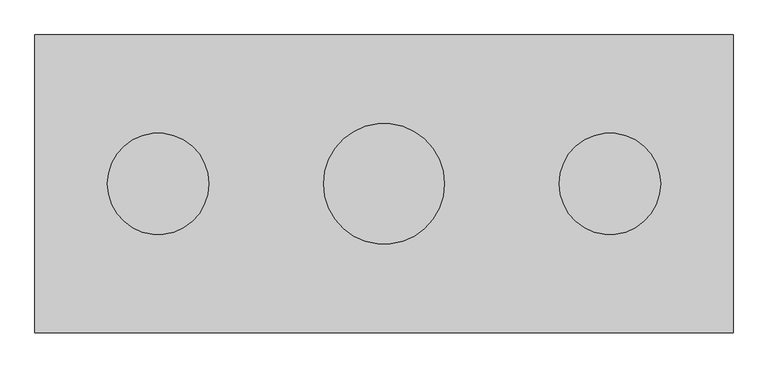
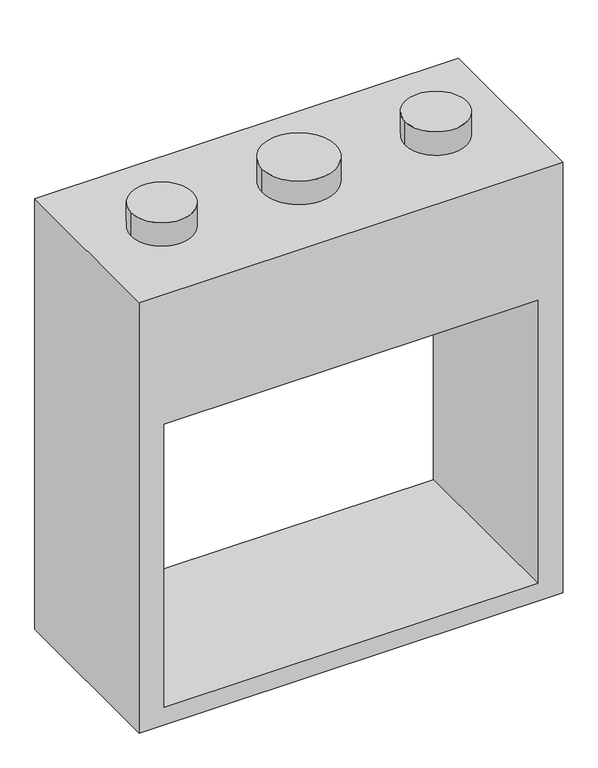
"""IFC4 building model written with IfcOpenShell, lengths in millimetres: proxy geometry."""

from ifc_helpers import new_model, si_unit, point, frame, frame_2d, origin, origin_2d, place, context, project, spatial, polyline, circle_curve, trimmed, segment, composite_curve, outline, extrude, source, transform, mapped, element, save


def generic_models_60ac84e5(model_context):
    return source(origin(), model_context, "Body", "SweptSolid", [
        extrude(outline(polyline([(1854.2, 863.6), (1854.2, -863.6), (0.0, -863.6), (0.0, 863.6), (1854.2, 863.6)]), holes=[polyline([(1295.4, -762.0), (1295.4, 762.0), (76.2, 762.0), (76.2, -762.0), (1295.4, -762.0)])]), frame((0.0, -368.3, 0.0), z_axis=(0.0, 1.0, 0.0), x_axis=(0.0, 0.0, 1.0)), (0.0, 0.0, 1.0), 736.6),
        extrude(outline(composite_curve([segment(trimmed(circle_curve(origin_2d(), 149.225), [point((-149.225, 0.0))], [point((149.225, 0.0))], False, "CARTESIAN"), True, "CONTINUOUS"), segment(trimmed(circle_curve(origin_2d(), 149.225), [point((149.225, 0.0))], [point((-149.225, 0.0))], False, "CARTESIAN"), True, "CONTINUOUS")], self_intersect=False)), frame((0.0, 0.0, 1854.2), z_axis=(0.0, 0.0, 1.0), x_axis=(1.0, 0.0, 0.0)), (0.0, 0.0, 1.0), 101.6),
        extrude(outline(composite_curve([segment(trimmed(circle_curve(frame_2d((-558.8, 0.0)), 125.4125), [point((-684.2125, 0.0))], [point((-433.3875, 0.0))], False, "CARTESIAN"), True, "CONTINUOUS"), segment(trimmed(circle_curve(frame_2d((-558.8, 0.0)), 125.4125), [point((-433.3875, 0.0))], [point((-684.2125, 0.0))], False, "CARTESIAN"), True, "CONTINUOUS")], self_intersect=False)), frame((0.0, 0.0, 1854.2), z_axis=(0.0, 0.0, 1.0), x_axis=(1.0, 0.0, 0.0)), (0.0, 0.0, 1.0), 101.6),
        extrude(outline(composite_curve([segment(trimmed(circle_curve(frame_2d((558.8, 0.0)), 125.4125), [point((433.3875, 0.0))], [point((684.2125, 0.0))], False, "CARTESIAN"), True, "CONTINUOUS"), segment(trimmed(circle_curve(frame_2d((558.8, 0.0)), 125.4125), [point((684.2125, 0.0))], [point((433.3875, 0.0))], False, "CARTESIAN"), True, "CONTINUOUS")], self_intersect=False)), frame((0.0, 0.0, 1854.2), z_axis=(0.0, 0.0, 1.0), x_axis=(1.0, 0.0, 0.0)), (0.0, 0.0, 1.0), 101.6),
    ])


if __name__ == "__main__":
    model = new_model("IFC4")
    model_context = context("Model", 3, world=origin())
    ifc_project = project(units=[si_unit("LENGTHUNIT", "METRE", prefix="MILLI")], contexts=[model_context])
    site = spatial("IfcSite", under=ifc_project)
    building = spatial("IfcBuilding", under=site)
    placement = place(None, origin())
    generic_models_shape = generic_models_60ac84e5(model_context)
    element("IfcBuildingElementProxy", 1, Name="Generic Models", at=placement, inside=building, context=model_context, shape_type="MappedRepresentation", body=[
        mapped(generic_models_shape, transform((0.0, 0.0, 0.0), x_axis=(1.0, 0.0, 0.0), y_axis=(0.0, 1.0, 0.0), z_axis=(0.0, 0.0, 1.0))),
    ])
    save(model, "model.ifc")
